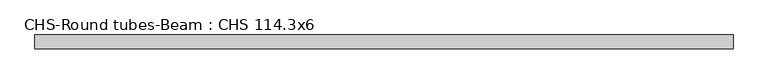
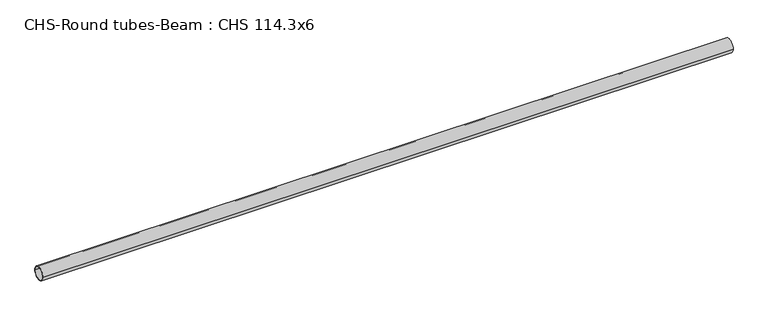
"""IFC4 building model written with IfcOpenShell, lengths in millimetres: beam geometry, CHS-Round tubes-Beam : CHS 114.3x6."""

from ifc_helpers import new_model, si_unit, point, frame, origin, origin_2d, place, context, project, spatial, circle_curve, trimmed, segment, composite_curve, outline, extrude, source, transform, mapped, element, save


def chs_round_tubes_beam_chs_114_3x6_14290ee5(model_context):
    return source(origin(), model_context, "Body", "SweptSolid", [
        extrude(outline(composite_curve([segment(trimmed(circle_curve(origin_2d(), 57.15), [point((57.15, 0.0))], [point((-57.15, 0.0))], False, "CARTESIAN"), True, "CONTINUOUS"), segment(trimmed(circle_curve(origin_2d(), 57.15), [point((-57.15, 0.0))], [point((57.15, 0.0))], False, "CARTESIAN"), True, "CONTINUOUS")], self_intersect=False), holes=[composite_curve([segment(trimmed(circle_curve(origin_2d(), 51.15), [point((51.15, 0.0))], [point((-51.15, 0.0))], True, "CARTESIAN"), True, "CONTINUOUS"), segment(trimmed(circle_curve(origin_2d(), 51.15), [point((-51.15, 0.0))], [point((51.15, 0.0))], True, "CARTESIAN"), True, "CONTINUOUS")], self_intersect=False)]), frame((-3069.2952269, 0.0, 0.0), z_axis=(1.0, 0.0, 0.0), x_axis=(0.0, 1.0, 0.0)), (0.0, 0.0, 1.0), 5775.0814473),
    ])


if __name__ == "__main__":
    model = new_model("IFC4")
    model_context = context("Model", 3, world=origin())
    ifc_project = project(units=[si_unit("LENGTHUNIT", "METRE", prefix="MILLI")], contexts=[model_context])
    site = spatial("IfcSite", under=ifc_project)
    building = spatial("IfcBuilding", under=site)
    placement = place(None, origin())
    chs_round_tubes_beam_chs_114_3x6_shape = chs_round_tubes_beam_chs_114_3x6_14290ee5(model_context)
    element("IfcBeam", 1, ObjectType="CHS-Round tubes-Beam : CHS 114.3x6", at=placement, inside=building, context=model_context, shape_type="MappedRepresentation", body=[
        mapped(chs_round_tubes_beam_chs_114_3x6_shape, transform((0.0, 0.0, 0.0), x_axis=(1.0, 0.0, 0.0), y_axis=(0.0, 1.0, 0.0), z_axis=(0.0, 0.0, 1.0))),
    ])
    save(model, "model.ifc")
